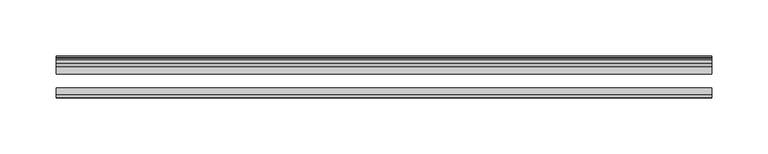
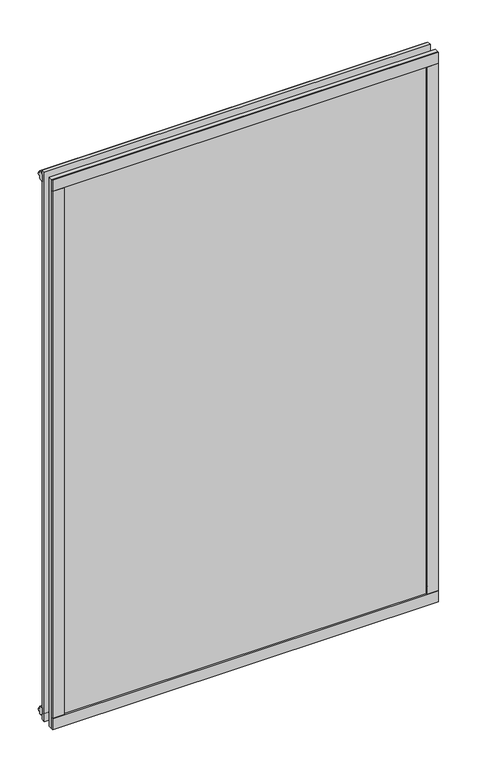
"""IFC4 building model written with IfcOpenShell, lengths in millimetres: plate geometry."""

import ifcopenshell
import ifcopenshell.guid

model = None  # the IFC model being written
_history = None  # IfcOwnerHistory: only IFC2X3 demands one
_inside = {}  # id of a spatial element -> (the spatial element, [elements in it])
_under = {}  # id of a project, library or spatial element -> (it, [spatial elements below it])
_declared = {}  # id of a project -> (the project, [libraries it declares])
_typed = {}  # id of a type object -> (the type object, [elements of that type])
_made_of = {}  # id of a material, layer set ... -> (it, [elements and type objects made of it])


def new_model(schema):
    """Start an empty IFC model of exactly this schema.

    Asked for "IFC4X3", IfcOpenShell would pick the latest addendum, in which some entities
    have other attributes; the version numbers below select the first issue.
    IFC2X3 requires an IfcOwnerHistory on every rooted entity: one is made here for all.
    """
    global model, _history
    if schema == "IFC4X3":
        model = ifcopenshell.file(schema_version=(4, 3, 0, 0))
    else:
        model = ifcopenshell.file(schema=schema)
    _inside.clear()
    _under.clear()
    _declared.clear()
    _typed.clear()
    _made_of.clear()
    _history = None
    if model.schema == "IFC2X3":
        org = make("IfcOrganization", Name="unknown")
        user = make(
            "IfcPersonAndOrganization",
            ThePerson=make("IfcPerson", FamilyName="unknown"),
            TheOrganization=org,
        )
        app = make(
            "IfcApplication",
            ApplicationDeveloper=org,
            Version="unknown",
            ApplicationFullName="unknown",
            ApplicationIdentifier="unknown",
        )
        _history = make(
            "IfcOwnerHistory",
            OwningUser=user,
            OwningApplication=app,
            ChangeAction="ADDED",
            CreationDate=0,
        )
    return model


def make(cls, **values):
    """One entity of the class cls with the attributes given. An attribute that is None is left unset."""
    return model.create_entity(
        cls, **{name: value for name, value in values.items() if value is not None}
    )


def rooted(cls, **values):
    """An entity with a GlobalId (a new one), such as an element, a storey or a relation."""
    return make(cls, GlobalId=ifcopenshell.guid.new(), OwnerHistory=_history, **values)


def si_unit(unit_type, name, prefix=None):
    """IfcSIUnit, for example si_unit("LENGTHUNIT", "METRE", prefix="MILLI")."""
    return make("IfcSIUnit", UnitType=unit_type, Prefix=prefix, Name=name)


def assignment(units):
    """IfcUnitAssignment: the units of a project."""
    return None if units is None else make("IfcUnitAssignment", Units=units)


def point(xyz):
    """IfcCartesianPoint."""
    return None if xyz is None else make("IfcCartesianPoint", Coordinates=xyz)


def direction(xyz):
    """IfcDirection."""
    return None if xyz is None else make("IfcDirection", DirectionRatios=xyz)


def frame(location, z_axis=None, x_axis=None):
    """IfcAxis2Placement3D, a coordinate frame: its origin and axes. An axis left out is left unset."""
    return make(
        "IfcAxis2Placement3D",
        Location=point(location),
        Axis=direction(z_axis),
        RefDirection=direction(x_axis),
    )


def origin():
    """The frame at (0, 0, 0) with its axes left unset."""
    return frame((0.0, 0.0, 0.0))


def origin_with_axes():
    """The frame at (0, 0, 0) with the z axis (0, 0, 1) and the x axis (1, 0, 0) written out."""
    return frame((0.0, 0.0, 0.0), z_axis=(0.0, 0.0, 1.0), x_axis=(1.0, 0.0, 0.0))


def place(relative_to, where):
    """IfcLocalPlacement: puts the frame where relative to a parent placement (None: the world)."""
    return make(
        "IfcLocalPlacement", PlacementRelTo=relative_to, RelativePlacement=where
    )


def context(
    kind, dimensions, precision=None, world=None, true_north=None, identifier=None
):
    """IfcGeometricRepresentationContext, for example the 3D "Model" context."""
    return make(
        "IfcGeometricRepresentationContext",
        ContextIdentifier=identifier,
        ContextType=kind,
        CoordinateSpaceDimension=dimensions,
        Precision=precision,
        WorldCoordinateSystem=world,
        TrueNorth=true_north,
    )


def project(units=None, contexts=None):
    """IfcProject with its units and contexts."""
    return rooted(
        "IfcProject",
        Name="project",
        RepresentationContexts=contexts,
        UnitsInContext=assignment(units),
    )


def spatial(cls, under=None, at=None, **own):
    """A site, building, storey or space (cls), placed at a placement, below another one or the project."""
    s = rooted(cls, ObjectPlacement=at, **own)
    if under is not None:
        _under.setdefault(under.id(), (under, []))[1].append(s)
    return s


def polyline(points):
    """IfcPolyline through the points."""
    return make("IfcPolyline", Points=[point(p) for p in points])


def outline(outer, holes=None, kind="AREA"):
    """IfcArbitraryClosedProfileDef: a profile drawn as a closed curve; with holes, ...WithVoids."""
    if holes is None:
        return make("IfcArbitraryClosedProfileDef", ProfileType=kind, OuterCurve=outer)
    return make(
        "IfcArbitraryProfileDefWithVoids",
        ProfileType=kind,
        OuterCurve=outer,
        InnerCurves=holes,
    )


def extrude(swept, where, along, depth):
    """IfcExtrudedAreaSolid: the profile swept, set in the frame where, extruded along a direction by depth."""
    return make(
        "IfcExtrudedAreaSolid",
        SweptArea=swept,
        Position=where,
        ExtrudedDirection=direction(along),
        Depth=depth,
    )


def shape(context_of_items, identifier, shape_type, items):
    """IfcShapeRepresentation: the items that make up one representation, for example the "Body"."""
    return make(
        "IfcShapeRepresentation",
        ContextOfItems=context_of_items,
        RepresentationIdentifier=identifier,
        RepresentationType=shape_type,
        Items=items,
    )


def source(mapping_origin, context_of_items, identifier, shape_type, items):
    """IfcRepresentationMap: a shape defined once, which mapped items show again and again."""
    return make(
        "IfcRepresentationMap",
        MappingOrigin=mapping_origin,
        MappedRepresentation=shape(context_of_items, identifier, shape_type, items),
    )


def transform(
    local_origin,
    x_axis=None,
    y_axis=None,
    z_axis=None,
    scale=None,
    scale2=None,
    scale3=None,
    uniform=True,
):
    """IfcCartesianTransformationOperator3D, or its non-uniform kind. x_axis, y_axis, z_axis: its Axis1, 2, 3."""
    if uniform:
        return make(
            "IfcCartesianTransformationOperator3D",
            Axis1=direction(x_axis),
            Axis2=direction(y_axis),
            LocalOrigin=point(local_origin),
            Scale=scale,
            Axis3=direction(z_axis),
        )
    return make(
        "IfcCartesianTransformationOperator3DnonUniform",
        Axis1=direction(x_axis),
        Axis2=direction(y_axis),
        LocalOrigin=point(local_origin),
        Scale=scale,
        Axis3=direction(z_axis),
        Scale2=scale2,
        Scale3=scale3,
    )


def mapped(mapping_source, mapping_target):
    """IfcMappedItem: shows the shape of a source again, moved by a transform."""
    return make(
        "IfcMappedItem", MappingSource=mapping_source, MappingTarget=mapping_target
    )


def made_of(thing, what):
    """Note that an element or type object is made of a material, layer set ...; save() writes the relation."""
    if what is not None:
        _made_of.setdefault(what.id(), (what, []))[1].append(thing)
    return thing


def element(
    cls,
    number,
    at=None,
    inside=None,
    cuts=None,
    type_object=None,
    material=None,
    context=None,
    identifier="Body",
    shape_type=None,
    held_by="IfcProductDefinitionShape",
    body=None,
    shapes=None,
    **own,
):
    """One element of the class cls, such as IfcWall. Its Tag is "e" and its number.

    at: its placement. inside: the storey or other place that contains it. cuts: it is an
    opening in that element (IfcRelVoidsElement). A single representation is given by context,
    identifier, shape_type and body (its items); several are given by shapes. held_by: the class
    of the entity that holds the representations. save() writes the other relations.
    """
    e = rooted(cls, Tag="e%d" % number, ObjectPlacement=at, **own)
    if body is not None:
        shapes = [shape(context, identifier, shape_type, body)]
    if shapes is not None:
        e.Representation = make(held_by, Representations=shapes)
    if inside is not None:
        _inside.setdefault(inside.id(), (inside, []))[1].append(e)
    if cuts is not None:
        rooted(
            "IfcRelVoidsElement", RelatingBuildingElement=cuts, RelatedOpeningElement=e
        )
    if type_object is not None:
        _typed.setdefault(type_object.id(), (type_object, []))[1].append(e)
    return made_of(e, material)


def aggregate(whole, parts):
    """IfcRelAggregates: a whole, such as a stair, and the parts it consists of."""
    return rooted("IfcRelAggregates", RelatingObject=whole, RelatedObjects=parts)


def save(model, path):
    """Write the relations noted so far, then the file.

    IfcRelAggregates (storeys below a building ...), IfcRelContainedInSpatialStructure (elements
    in a storey), IfcRelDefinesByType, IfcRelAssociatesMaterial and IfcRelDeclares: one each for
    every whole, place, type object, material and project.
    """
    for whole, parts in _under.values():
        aggregate(whole, parts)
    for where, things in _inside.values():
        rooted(
            "IfcRelContainedInSpatialStructure",
            RelatedElements=things,
            RelatingStructure=where,
        )
    for kind, things in _typed.values():
        rooted("IfcRelDefinesByType", RelatedObjects=things, RelatingType=kind)
    for what, things in _made_of.values():
        rooted("IfcRelAssociatesMaterial", RelatedObjects=things, RelatingMaterial=what)
    for by, libraries in _declared.values():
        rooted("IfcRelDeclares", RelatingContext=by, RelatedDefinitions=libraries)
    model.write(path)


def plate_025fe34f(model_context):
    return source(origin(), model_context, "Body", "SweptSolid", [
        extrude(outline(polyline([(290.5125, -44.4293643), (290.5125, -46.7153636), (-290.5125, -46.7153636), (-290.5125, -44.4293643), (290.5125, -44.4293643)])), frame((0.0, 0.0, 838.1872994), z_axis=(0.0, 0.0, 1.0), x_axis=(1.0, 0.0, 0.0)), (0.0, 0.0, 1.0), 17.4752),
        extrude(outline(polyline([(290.5125, -44.4293643), (290.5125, -46.7153636), (-290.5125, -46.7153636), (-290.5125, -44.4293643), (290.5125, -44.4293643)])), frame((0.0, 0.0, -17.4625), z_axis=(0.0, 0.0, 1.0), x_axis=(1.0, 0.0, 0.0)), (0.0, 0.0, 1.0), 17.4752),
        extrude(outline(polyline([(-16.311566, -12.4459992), (-19.5373643, -9.7597211), (-19.5373643, 1.1616223), (-13.365166, -0.5079992), (-13.365166, -5.7149992), (-10.9849691, -6.0959992), (-11.4449023, -4.6804701), (-10.6436881, -4.6804701), (-9.936166, -6.8579992), (-10.6436881, -9.0355282), (-11.4449023, -9.0355282), (-10.9849691, -7.6199992), (-13.365166, -8.0009992), (-13.365166, -12.4459992), (-16.311566, -12.4459992)])), frame((-290.5125, 0.0, 0.0), z_axis=(1.0, 0.0, 0.0), x_axis=(0.0, 1.0, 0.0)), (0.0, 0.0, 1.0), 581.0249999),
        extrude(outline(polyline([(-16.311566, 850.6459986), (-13.365166, 850.6459986), (-13.365166, 846.2009986), (-10.9849691, 845.8199986), (-11.4449023, 847.2355276), (-10.6436881, 847.2355276), (-9.936166, 845.0579986), (-10.6436881, 842.8804695), (-11.4449023, 842.8804695), (-10.9849691, 844.2959986), (-13.365166, 843.9149986), (-13.365166, 838.7079986), (-19.5373643, 837.0383771), (-19.5373643, 847.9597205), (-16.311566, 850.6459986)])), frame((-290.5125, 0.0, 0.0), z_axis=(1.0, 0.0, 0.0), x_axis=(0.0, 1.0, 0.0)), (0.0, 0.0, 1.0), 581.0249999),
        extrude(outline(polyline([(-271.8883776, -19.5373643), (-282.8097211, -19.5373643), (-285.4959991, -16.311566), (-285.4959991, -13.365166), (-281.0509991, -13.365166), (-280.6699991, -10.9849691), (-282.0855282, -11.4449023), (-282.0855282, -10.6436881), (-279.9079991, -9.936166), (-277.7304701, -10.6436881), (-277.7304701, -11.4449023), (-279.1459991, -10.9849691), (-278.7649991, -13.365166), (-273.5579991, -13.365166), (-271.8883776, -19.5373643)])), origin_with_axes(), (0.0, 0.0, 1.0), 838.1999994),
        extrude(outline(polyline([(-273.0373, -44.4293643), (-273.0373, -46.7153636), (-290.5125, -46.7153636), (-290.5125, -44.4293643), (-273.0373, -44.4293643)])), origin_with_axes(), (0.0, 0.0, 1.0), 838.1999994),
        extrude(outline(polyline([(271.9010778, -19.5373643), (273.5706993, -13.365166), (278.7776993, -13.365166), (279.1586993, -10.9849691), (277.7431703, -11.4449023), (277.7431703, -10.6436881), (279.9206993, -9.936166), (282.0982284, -10.6436881), (282.0982284, -11.4449023), (280.6826993, -10.9849691), (281.0636993, -13.365166), (285.5086993, -13.365166), (285.5086993, -16.311566), (282.8224213, -19.5373643), (271.9010778, -19.5373643)])), origin_with_axes(), (0.0, 0.0, 1.0), 838.1999994),
        extrude(outline(polyline([(290.5252002, -46.7153636), (273.0499998, -46.7153636), (273.0499998, -44.4293643), (290.5252002, -44.4293643), (290.5252002, -46.7153636)])), origin_with_axes(), (0.0, 0.0, 1.0), 838.1999994),
        extrude(outline(polyline([(290.5125, -19.5373643), (290.5125, -25.8250158), (-290.5125, -25.8250158), (-290.5125, -19.5373643), (290.5125, -19.5373643)])), frame((0.0, 0.0, -17.4497998), z_axis=(0.0, 0.0, 1.0), x_axis=(1.0, 0.0, 0.0)), (0.0, 0.0, 1.0), 873.1122992),
        extrude(outline(polyline([(-290.5125, -44.4293643), (-290.5125, -38.1186142), (290.5125, -38.1186142), (290.5125, -44.4293643), (-290.5125, -44.4293643)])), frame((0.0, 0.0, -17.4497998), z_axis=(0.0, 0.0, 1.0), x_axis=(1.0, 0.0, 0.0)), (0.0, 0.0, 1.0), 873.1122992),
    ])


if __name__ == "__main__":
    model = new_model("IFC4")
    model_context = context("Model", 3, world=origin())
    ifc_project = project(units=[si_unit("LENGTHUNIT", "METRE", prefix="MILLI")], contexts=[model_context])
    site = spatial("IfcSite", under=ifc_project)
    building = spatial("IfcBuilding", under=site)
    placement = place(None, origin())
    plate_shape = plate_025fe34f(model_context)
    element("IfcPlate", 1, at=placement, inside=building, context=model_context, shape_type="MappedRepresentation", body=[
        mapped(plate_shape, transform((0.0, 0.0, 0.0), x_axis=(1.0, 0.0, 0.0), y_axis=(0.0, 1.0, 0.0), z_axis=(0.0, 0.0, 1.0))),
    ])
    save(model, "model.ifc")
